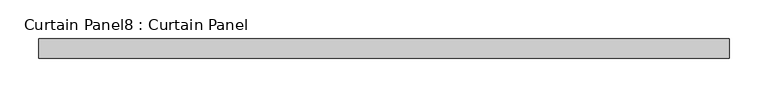
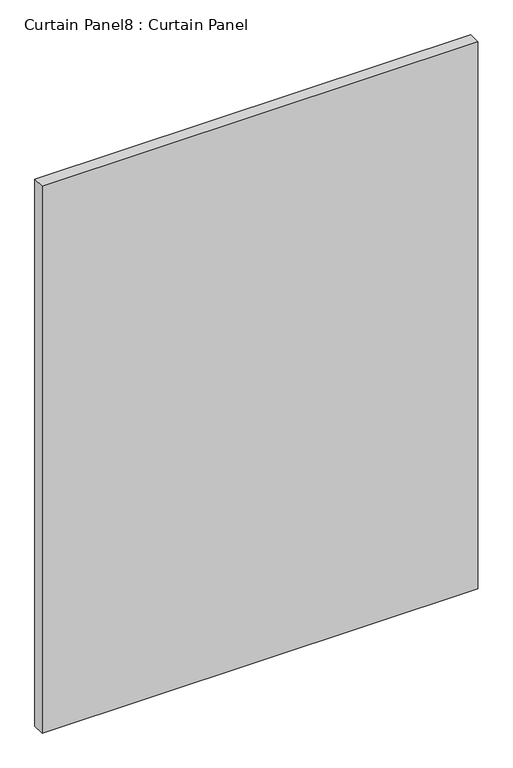
"""IFC4 building model written with IfcOpenShell, lengths in millimetres: plate geometry, Curtain Panel8 : Curtain Panel."""

from ifc_helpers import new_model, si_unit, frame, origin, place, context, project, spatial, polyline, outline, extrude, source, transform, mapped, element, save


def curtain_panel8_curtain_panel_71a6e803(model_context):
    return source(origin(), model_context, "Body", "SweptSolid", [
        extrude(outline(polyline([(-17784.1346264, 9468.7682302), (-18680.6276264, 9468.7682302), (-18680.6276264, 9494.1682302), (-17784.1346264, 9494.1682302), (-17784.1346264, 9468.7682302)])), frame((0.0, 0.0, 2468.5515916), z_axis=(0.0, 0.0, 1.0), x_axis=(1.0, 0.0, 0.0)), (0.0, 0.0, 1.0), 1189.0484084),
    ])


if __name__ == "__main__":
    model = new_model("IFC4")
    model_context = context("Model", 3, world=origin())
    ifc_project = project(units=[si_unit("LENGTHUNIT", "METRE", prefix="MILLI")], contexts=[model_context])
    site = spatial("IfcSite", under=ifc_project)
    building = spatial("IfcBuilding", under=site)
    placement = place(None, origin())
    curtain_panel8_curtain_panel_shape = curtain_panel8_curtain_panel_71a6e803(model_context)
    element("IfcPlate", 1, ObjectType="Curtain Panel8 : Curtain Panel", at=placement, inside=building, context=model_context, shape_type="MappedRepresentation", body=[
        mapped(curtain_panel8_curtain_panel_shape, transform((0.0, 0.0, 0.0), x_axis=(1.0, 0.0, 0.0), y_axis=(0.0, 1.0, 0.0), z_axis=(0.0, 0.0, 1.0))),
    ])
    save(model, "model.ifc")
